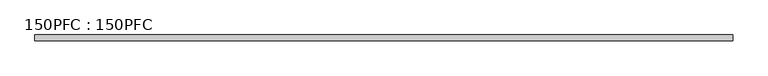
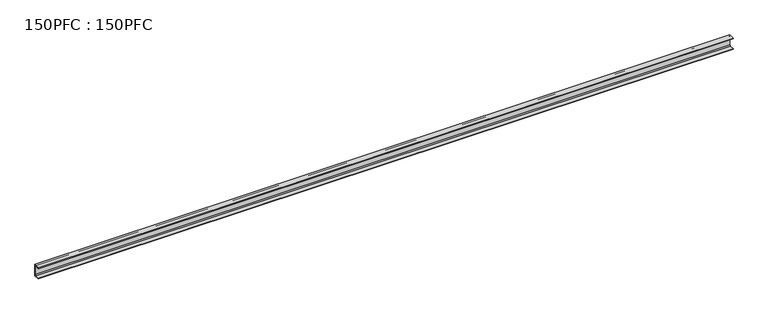
"""IFC4 building model written with IfcOpenShell, lengths in millimetres: beam geometry, 150PFC : 150PFC."""

from ifc_helpers import new_model, si_unit, point, frame, frame_2d, origin, place, context, project, spatial, polyline, circle_curve, trimmed, segment, composite_curve, outline, extrude, source, transform, mapped, element, save


def beam_150pfc_150pfc_b08610a4(model_context):
    return source(origin(), model_context, "Body", "SweptSolid", [
        extrude(outline(composite_curve([segment(polyline([(21.6471313, 65.0), (-37.3528687, 65.0), (-37.3528687, 74.5), (37.6471313, 74.5), (37.6471313, -75.5), (-37.3528687, -75.5), (-37.3528687, -66.0), (21.6471313, -66.0)]), True, "CONTINUOUS"), segment(trimmed(circle_curve(frame_2d((21.6471313, -56.0)), 10.0), [point((21.6471313, -66.0))], [point((31.6471313, -56.0))], True, "CARTESIAN"), True, "CONTINUOUS"), segment(polyline([(31.6471313, -56.0), (31.6471313, 55.0)]), True, "CONTINUOUS"), segment(trimmed(circle_curve(frame_2d((21.6471313, 55.0)), 10.0), [point((31.6471313, 55.0))], [point((21.6471313, 65.0))], True, "CARTESIAN"), True, "CONTINUOUS")], self_intersect=False)), frame((-4412.3, 0.0, 0.0), z_axis=(1.0, 0.0, 0.0), x_axis=(0.0, 1.0, 0.0)), (0.0, 0.0, 1.0), 8874.6),
    ])


if __name__ == "__main__":
    model = new_model("IFC4")
    model_context = context("Model", 3, world=origin())
    ifc_project = project(units=[si_unit("LENGTHUNIT", "METRE", prefix="MILLI")], contexts=[model_context])
    site = spatial("IfcSite", under=ifc_project)
    building = spatial("IfcBuilding", under=site)
    placement = place(None, origin())
    beam_150pfc_150pfc_shape = beam_150pfc_150pfc_b08610a4(model_context)
    element("IfcBeam", 1, ObjectType="150PFC : 150PFC", at=placement, inside=building, context=model_context, shape_type="MappedRepresentation", body=[
        mapped(beam_150pfc_150pfc_shape, transform((0.0, 0.0, 0.0), x_axis=(1.0, 0.0, 0.0), y_axis=(0.0, 1.0, 0.0), z_axis=(0.0, 0.0, 1.0))),
    ])
    save(model, "model.ifc")
